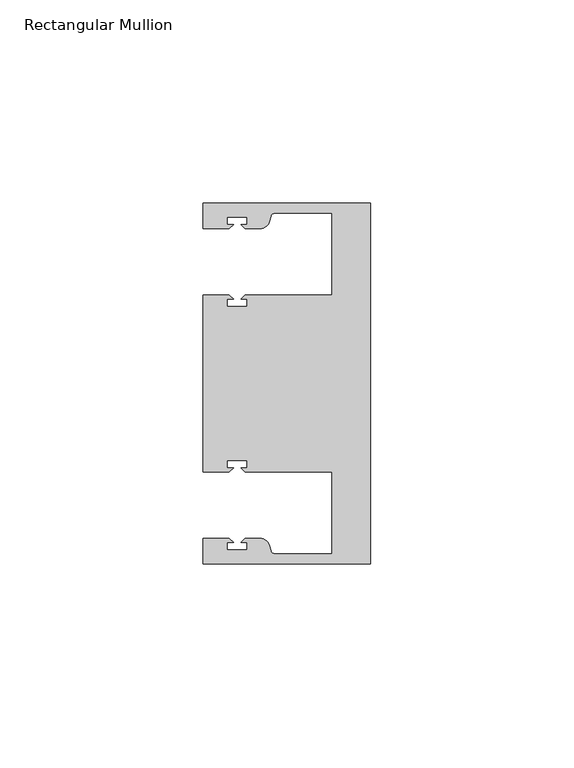
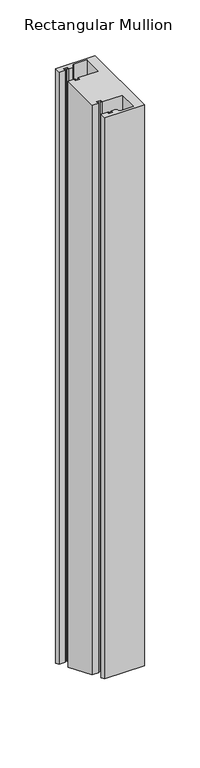
"""IFC4 building model written with IfcOpenShell, lengths in millimetres: member geometry, Rectangular Mullion."""

from ifc_helpers import new_model, si_unit, frame, origin, place, context, project, spatial, polyline, circle_curve, ellipse_curve, source, transform, mapped, element, save
from ifc_brep_helpers import plane_surface, cylinder_surface, revolved_surface, advanced_brep


def rectangular_mullion_80a26137(model_context):
    return source(origin(), model_context, "Body", "AdvancedBrep", [
        advanced_brep(
        [(0.0, 44.45, 0.0), (-41.2749977, 44.45, 0.0), (-41.2749977, 38.1499897, 0.0), (-34.8007531, 38.1499897, 0.0), (-33.8007405, 39.1500023, 0.0), (-35.3749778, 39.1500023, 0.0), (-35.3749778, 40.9498819, 0.0), (-30.3749831, 40.9498819, 0.0), (-30.3749831, 39.1500023, 0.0), (-31.949256, 39.1500023, 0.0), (-30.9492503, 38.1499966, 0.0), (-27.2637853, 38.1499966, 0.0), (-24.8489707, 40.002949, 0.0), (-24.5258588, 41.2088192, 0.0), (-23.5599329, 41.9500001, 0.0), (-9.525, 41.95, 0.0), (-9.525, 21.7499959, 0.0), (-30.9492434, 21.7499959, 0.0), (-31.949256, 20.7499834, 0.0), (-30.3750186, 20.7499834, 0.0), (-30.3750186, 18.949936, 0.0), (-35.3750134, 18.949936, 0.0), (-35.3750134, 20.7499834, 0.0), (-33.8007405, 20.7499834, 0.0), (-34.8007562, 21.749999, 0.0), (-41.275, 21.749999, 0.0), (-41.275, -21.749999, 0.0), (-34.8007562, -21.749999, 0.0), (-33.8007405, -20.7499834, 0.0), (-35.3750134, -20.7499834, 0.0), (-35.3750134, -18.949936, 0.0), (-30.3750186, -18.949936, 0.0), (-30.3750186, -20.7499834, 0.0), (-31.949256, -20.7499834, 0.0), (-30.9492434, -21.7499959, 0.0), (-9.525, -21.7499959, 0.0), (-9.525, -41.95, 0.0), (-23.5599329, -41.95, 0.0), (-24.5258588, -41.2088192, 0.0), (-24.8489707, -40.002949, 0.0), (-27.2637853, -38.1499966, 0.0), (-30.9492503, -38.1499966, 0.0), (-31.949256, -39.1500023, 0.0), (-30.3749831, -39.1500023, 0.0), (-30.3749831, -40.9498819, 0.0), (-35.3749778, -40.9498819, 0.0), (-35.3749778, -39.1500023, 0.0), (-33.8007405, -39.1500023, 0.0), (-34.8007531, -38.1499897, 0.0), (-41.275, -38.1499897, 0.0), (-41.275, -44.45, 0.0), (0.0, -44.45, 0.0), (0.0, 44.45, -653.4117928), (-41.2749977, 44.45, -653.4117928), (-41.2749977, 38.1499897, -650.8022431), (-34.8007531, 38.1499897, -650.8022431), (-33.8007405, 39.1500023, -651.2164619), (-35.3749778, 39.1500023, -651.2164619), (-35.3749778, 40.9498819, -651.9619965), (-30.3749831, 40.9498819, -651.9619965), (-30.3749831, 39.1500023, -651.2164619), (-31.949256, 39.1500023, -651.2164619), (-30.9492503, 38.1499966, -650.802246), (-27.2637853, 38.1499966, -650.802246), (-24.8489707, 40.002949, -651.569764), (-24.5258588, 41.2088192, -652.0692518), (-23.5599329, 41.9500001, -652.376259), (-9.525, 41.95, -652.3762589), (-9.525, 21.7499959, -644.0091433), (-30.9492434, 21.7499959, -644.0091433), (-31.949256, 20.7499834, -643.5949245), (-30.3750186, 20.7499834, -643.5949245), (-30.3750186, 18.949936, -642.8493205), (-35.3750134, 18.949936, -642.8493205), (-35.3750134, 20.7499834, -643.5949245), (-33.8007405, 20.7499834, -643.5949245), (-34.8007562, 21.749999, -644.0091446), (-41.275, 21.749999, -644.0091446), (-41.275, -21.749999, -625.9908554), (-34.8007562, -21.749999, -625.9908554), (-33.8007405, -20.7499834, -626.4050755), (-35.3750134, -20.7499834, -626.4050755), (-35.3750134, -18.949936, -627.1506795), (-30.3750186, -18.949936, -627.1506795), (-30.3750186, -20.7499834, -626.4050755), (-31.949256, -20.7499834, -626.4050755), (-30.9492434, -21.7499959, -625.9908567), (-9.525, -21.7499959, -625.9908567), (-9.525, -41.95, -617.6237411), (-23.5599329, -41.95, -617.623741), (-24.5258588, -41.2088192, -617.9307482), (-24.8489707, -40.002949, -618.430236), (-27.2637853, -38.1499966, -619.197754), (-30.9492503, -38.1499966, -619.197754), (-31.949256, -39.1500023, -618.7835381), (-30.3749831, -39.1500023, -618.7835381), (-30.3749831, -40.9498819, -618.0380035), (-35.3749778, -40.9498819, -618.0380035), (-35.3749778, -39.1500023, -618.7835381), (-33.8007405, -39.1500023, -618.7835381), (-34.8007531, -38.1499897, -619.1977569), (-41.275, -38.1499897, -619.1977569), (-41.275, -44.45, -616.5882072), (0.0, -44.45, -616.5882072)],
        [
            (0, 1),
            (1, 2),
            (2, 3),
            (3, 4),
            (4, 5),
            (5, 6),
            (6, 7),
            (7, 8),
            (8, 9),
            (9, 10),
            (10, 11),
            (11, 12, circle_curve(frame((-27.2637853, 40.6499966, 0.0), z_axis=(0.0, 0.0, 1.0), x_axis=(0.0, -1.0, 0.0)), 2.5)),
            (12, 13),
            (13, 14, circle_curve(frame((-23.5599329, 40.9500001, 0.0), z_axis=(0.0, 0.0, -1.0), x_axis=(0.0, -1.0, 0.0)), 1.0)),
            (14, 15),
            (15, 16),
            (16, 17),
            (17, 18),
            (18, 19),
            (19, 20),
            (20, 21),
            (21, 22),
            (22, 23),
            (23, 24),
            (24, 25),
            (25, 26),
            (26, 27),
            (27, 28),
            (28, 29),
            (29, 30),
            (30, 31),
            (31, 32),
            (32, 33),
            (33, 34),
            (34, 35),
            (35, 36),
            (36, 37),
            (37, 38, circle_curve(frame((-23.5599329, -40.9500001, 0.0), z_axis=(0.0, 0.0, -1.0), x_axis=(0.0, 1.0, 0.0)), 1.0)),
            (38, 39),
            (39, 40, circle_curve(frame((-27.2637853, -40.6499966, 0.0), z_axis=(0.0, 0.0, 1.0), x_axis=(0.0, 1.0, 0.0)), 2.5)),
            (40, 41),
            (41, 42),
            (42, 43),
            (43, 44),
            (44, 45),
            (45, 46),
            (46, 47),
            (47, 48),
            (48, 49),
            (49, 50),
            (50, 51),
            (51, 0),
            (0, 52),
            (52, 53),
            (53, 1),
            (53, 54),
            (54, 2),
            (54, 55),
            (55, 3),
            (55, 56),
            (56, 4),
            (56, 57),
            (57, 5),
            (57, 58),
            (58, 6),
            (58, 59),
            (59, 7),
            (59, 60),
            (60, 8),
            (60, 61),
            (61, 9),
            (61, 62),
            (62, 10),
            (62, 63),
            (63, 11),
            (63, 64, ellipse_curve(frame((-27.2637853, 40.6499966, -651.8377799), z_axis=(0.0, 0.38268343236509095, 0.9238795325112864), x_axis=(0.0, -0.9238795325112866, 0.3826834323650903)), 2.7059805, 2.5)),
            (64, 12),
            (64, 65),
            (65, 13),
            (65, 66, ellipse_curve(frame((-23.5599329, 40.9500001, -651.9620454), z_axis=(0.0, -0.38268343236509095, -0.9238795325112864), x_axis=(0.0, 0.9238795325112866, -0.3826834323650903)), 1.0823922, 1.0)),
            (66, 14),
            (66, 67),
            (67, 15),
            (67, 68),
            (68, 16),
            (68, 69),
            (69, 17),
            (69, 70),
            (70, 18),
            (70, 71),
            (71, 19),
            (71, 72),
            (72, 20),
            (72, 73),
            (73, 21),
            (73, 74),
            (74, 22),
            (74, 75),
            (75, 23),
            (75, 76),
            (76, 24),
            (76, 77),
            (77, 25),
            (77, 78),
            (78, 26),
            (78, 79),
            (79, 27),
            (79, 80),
            (80, 28),
            (80, 81),
            (81, 29),
            (81, 82),
            (82, 30),
            (82, 83),
            (83, 31),
            (83, 84),
            (84, 32),
            (84, 85),
            (85, 33),
            (85, 86),
            (86, 34),
            (86, 87),
            (87, 35),
            (87, 88),
            (88, 36),
            (88, 89),
            (89, 37),
            (89, 90, ellipse_curve(frame((-23.5599329, -40.9500001, -618.0379546), z_axis=(0.0, -0.38268343236509095, -0.9238795325112864), x_axis=(0.0, 0.9238795325112866, -0.3826834323650903)), 1.0823922, 1.0)),
            (90, 38),
            (90, 91),
            (91, 39),
            (91, 92, ellipse_curve(frame((-27.2637853, -40.6499966, -618.1622201), z_axis=(0.0, 0.38268343236509095, 0.9238795325112864), x_axis=(0.0, -0.9238795325112866, 0.3826834323650903)), 2.7059805, 2.5)),
            (92, 40),
            (92, 93),
            (93, 41),
            (93, 94),
            (94, 42),
            (94, 95),
            (95, 43),
            (95, 96),
            (96, 44),
            (96, 97),
            (97, 45),
            (97, 98),
            (98, 46),
            (98, 99),
            (99, 47),
            (99, 100),
            (100, 48),
            (100, 101),
            (101, 49),
            (101, 102),
            (102, 50),
            (102, 103),
            (103, 51),
            (103, 52),
        ],
        [
            plane_surface(frame((0.0, -60.6582898, 0.0), z_axis=(0.0, 0.0, 1.0), x_axis=(-1.0, 0.0, 0.0))),
            plane_surface(frame((0.0, 44.45, 0.0), z_axis=(0.0, 1.0, 0.0), x_axis=(0.0, 0.0, -1.0))),
            plane_surface(frame((-41.2749977, 44.45, 0.0), z_axis=(-1.0, 0.0, 0.0), x_axis=(0.0, 0.0, -1.0))),
            plane_surface(frame((-41.2749977, 38.1499897, 0.0), z_axis=(0.0, -1.0, 0.0), x_axis=(0.0, 0.0, -1.0))),
            plane_surface(frame((-34.8007531, 38.1499897, 0.0), z_axis=(0.7071067811865492, -0.7071067811865459, 0.0), x_axis=(0.0, 0.0, -1.0))),
            plane_surface(frame((-33.8007405, 39.1500023, 0.0), z_axis=(0.0, 1.0, 0.0), x_axis=(0.0, 0.0, -1.0))),
            plane_surface(frame((-35.3749778, 39.1500023, 0.0), z_axis=(1.0, 0.0, 0.0), x_axis=(0.0, 0.0, -1.0))),
            plane_surface(frame((-35.3749778, 40.9498819, 0.0), z_axis=(0.0, -1.0, 0.0), x_axis=(0.0, 0.0, -1.0))),
            plane_surface(frame((-30.3749831, 40.9498819, 0.0), z_axis=(-1.0, 0.0, 0.0), x_axis=(0.0, 0.0, -1.0))),
            plane_surface(frame((-30.3749831, 39.1500023, 0.0), z_axis=(0.0, 1.0, 0.0), x_axis=(0.0, 0.0, -1.0))),
            plane_surface(frame((-31.949256, 39.1500023, 0.0), z_axis=(-0.7071067811865469, -0.7071067811865481, 0.0), x_axis=(0.0, 0.0, -1.0))),
            plane_surface(frame((-30.9492503, 38.1499966, 0.0), z_axis=(0.0, -1.0, 0.0), x_axis=(0.0, 0.0, -1.0))),
            cylinder_surface(frame((-27.2637853, 40.6499966, 0.0), z_axis=(0.0, 0.0, 1.0), x_axis=(0.0, -1.0, 0.0)), 2.5),
            plane_surface(frame((-24.8489707, 40.002949, 0.0), z_axis=(0.965925826289163, -0.2588190451021675, 0.0), x_axis=(0.0, 0.0, -1.0))),
            revolved_surface(polyline([(-23.5599329, 39.9500001, -652.376259), (-23.5599329, 39.9500001, 0.0)]), (-23.5599329, 40.9500001, 0.0), (0.0, 0.0, -1.0)),
            plane_surface(frame((-23.5599329, 41.95, 0.0), z_axis=(0.0, -1.0, 0.0), x_axis=(0.0, 0.0, -1.0))),
            plane_surface(frame((-9.525, 41.95, 0.0), z_axis=(-1.0, 0.0, 0.0), x_axis=(0.0, 0.0, -1.0))),
            plane_surface(frame((-9.525, 21.7499959, 0.0), z_axis=(0.0, 1.0, 0.0), x_axis=(0.0, 0.0, -1.0))),
            plane_surface(frame((-30.9492434, 21.7499959, 0.0), z_axis=(-0.7071067811865492, 0.7071067811865459, 0.0), x_axis=(0.0, 0.0, -1.0))),
            plane_surface(frame((-31.949256, 20.7499834, 0.0), z_axis=(0.0, -1.0, 0.0), x_axis=(0.0, 0.0, -1.0))),
            plane_surface(frame((-30.3750186, 20.7499834, 0.0), z_axis=(-1.0, 0.0, 0.0), x_axis=(0.0, 0.0, -1.0))),
            plane_surface(frame((-30.3750186, 18.949936, 0.0), z_axis=(0.0, 1.0, 0.0), x_axis=(0.0, 0.0, -1.0))),
            plane_surface(frame((-35.3750134, 18.949936, 0.0), z_axis=(1.0, 0.0, 0.0), x_axis=(0.0, 0.0, -1.0))),
            plane_surface(frame((-35.3750134, 20.7499834, 0.0), z_axis=(0.0, -1.0, 0.0), x_axis=(0.0, 0.0, -1.0))),
            plane_surface(frame((-33.8007405, 20.7499834, 0.0), z_axis=(0.7071067811865472, 0.7071067811865479, 0.0), x_axis=(0.0, 0.0, -1.0))),
            plane_surface(frame((-34.8007562, 21.749999, 0.0), z_axis=(0.0, 1.0, 0.0), x_axis=(0.0, 0.0, -1.0))),
            plane_surface(frame((-41.275, 21.749999, 0.0), z_axis=(-1.0, 0.0, 0.0), x_axis=(0.0, 0.0, -1.0))),
            plane_surface(frame((-41.275, -21.749999, 0.0), z_axis=(0.0, -1.0, 0.0), x_axis=(0.0, 0.0, -1.0))),
            plane_surface(frame((-34.8007562, -21.749999, 0.0), z_axis=(0.7071067811865427, -0.7071067811865525, 0.0), x_axis=(0.0, 0.0, -1.0))),
            plane_surface(frame((-33.8007405, -20.7499834, 0.0), z_axis=(0.0, 1.0, 0.0), x_axis=(0.0, 0.0, -1.0))),
            plane_surface(frame((-35.3750134, -20.7499834, 0.0), z_axis=(1.0, 0.0, 0.0), x_axis=(0.0, 0.0, -1.0))),
            plane_surface(frame((-35.3750134, -18.949936, 0.0), z_axis=(0.0, -1.0, 0.0), x_axis=(0.0, 0.0, -1.0))),
            plane_surface(frame((-30.3750186, -18.949936, 0.0), z_axis=(-1.0, 0.0, 0.0), x_axis=(0.0, 0.0, -1.0))),
            plane_surface(frame((-30.3750186, -20.7499834, 0.0), z_axis=(0.0, 1.0, 0.0), x_axis=(0.0, 0.0, -1.0))),
            plane_surface(frame((-31.949256, -20.7499834, 0.0), z_axis=(-0.7071067811865538, -0.7071067811865414, 0.0), x_axis=(0.0, 0.0, -1.0))),
            plane_surface(frame((-30.9492434, -21.7499959, 0.0), z_axis=(0.0, -1.0, 0.0), x_axis=(0.0, 0.0, -1.0))),
            plane_surface(frame((-9.525, -21.7499959, 0.0), z_axis=(-1.0, 0.0, 0.0), x_axis=(0.0, 0.0, -1.0))),
            plane_surface(frame((-9.525, -41.95, 0.0), z_axis=(0.0, 1.0, 0.0), x_axis=(0.0, 0.0, -1.0))),
            revolved_surface(polyline([(-23.5599329, -39.9500001, -618.4521681622613), (-23.5599329, -39.9500001, 0.0)]), (-23.5599329, -40.9500001, 0.0), (0.0, 0.0, -1.0)),
            plane_surface(frame((-24.5258588, -41.2088192, 0.0), z_axis=(0.9659258262891647, 0.25881904510216125, 0.0), x_axis=(0.0, 0.0, -1.0))),
            cylinder_surface(frame((-27.2637853, -40.6499966, 0.0), z_axis=(0.0, 0.0, 1.0), x_axis=(0.0, 1.0, 0.0)), 2.5),
            plane_surface(frame((-27.2637853, -38.1499966, 0.0), z_axis=(0.0, 1.0, 0.0), x_axis=(0.0, 0.0, -1.0))),
            plane_surface(frame((-30.9492503, -38.1499966, 0.0), z_axis=(-0.7071067811865424, 0.7071067811865527, 0.0), x_axis=(0.0, 0.0, -1.0))),
            plane_surface(frame((-31.949256, -39.1500023, 0.0), z_axis=(0.0, -1.0, 0.0), x_axis=(0.0, 0.0, -1.0))),
            plane_surface(frame((-30.3749831, -39.1500023, 0.0), z_axis=(-1.0, 0.0, 0.0), x_axis=(0.0, 0.0, -1.0))),
            plane_surface(frame((-30.3749831, -40.9498819, 0.0), z_axis=(0.0, 1.0, 0.0), x_axis=(0.0, 0.0, -1.0))),
            plane_surface(frame((-35.3749778, -40.9498819, 0.0), z_axis=(1.0, 0.0, 0.0), x_axis=(0.0, 0.0, -1.0))),
            plane_surface(frame((-35.3749778, -39.1500023, 0.0), z_axis=(0.0, -1.0, 0.0), x_axis=(0.0, 0.0, -1.0))),
            plane_surface(frame((-33.8007405, -39.1500023, 0.0), z_axis=(0.7071067811865538, 0.7071067811865414, 0.0), x_axis=(0.0, 0.0, -1.0))),
            plane_surface(frame((-34.8007531, -38.1499897, 0.0), z_axis=(0.0, 1.0, 0.0), x_axis=(0.0, 0.0, -1.0))),
            plane_surface(frame((-41.275, -38.1499897, 0.0), z_axis=(-1.0, 0.0, 0.0), x_axis=(0.0, 0.0, -1.0))),
            plane_surface(frame((-41.275, -44.45, 0.0), z_axis=(0.0, -1.0, 0.0), x_axis=(0.0, 0.0, -1.0))),
            plane_surface(frame((0.0, -44.45, 0.0), z_axis=(1.0, 0.0, 0.0), x_axis=(0.0, 0.0, -1.0))),
            plane_surface(frame((304.8, 0.0, -635.0), z_axis=(0.0, -0.38268343236509095, -0.9238795325112864), x_axis=(0.0, -0.9238795325112864, 0.38268343236509095))),
        ],
        [
            (0, [[1, 2, 3, 4, 5, 6, 7, 8, 9, 10, 11, 12, 13, 14, 15, 16, 17, 18, 19, 20, 21, 22, 23, 24, 25, 26, 27, 28, 29, 30, 31, 32, 33, 34, 35, 36, 37, 38, 39, 40, 41, 42, 43, 44, 45, 46, 47, 48, 49, 50, 51, 52]]),
            (1, [[-1, 53, 54, 55]]),
            (2, [[-2, -55, 56, 57]]),
            (3, [[-3, -57, 58, 59]]),
            (4, [[-4, -59, 60, 61]]),
            (5, [[-5, -61, 62, 63]]),
            (6, [[-6, -63, 64, 65]]),
            (7, [[-7, -65, 66, 67]]),
            (8, [[-8, -67, 68, 69]]),
            (9, [[-9, -69, 70, 71]]),
            (10, [[-10, -71, 72, 73]]),
            (11, [[-11, -73, 74, 75]]),
            (12, [[-12, -75, 76, 77]]),
            (13, [[-13, -77, 78, 79]]),
            (14, [[-14, -79, 80, 81]]),
            (15, [[-15, -81, 82, 83]]),
            (16, [[-16, -83, 84, 85]]),
            (17, [[-17, -85, 86, 87]]),
            (18, [[-18, -87, 88, 89]]),
            (19, [[-19, -89, 90, 91]]),
            (20, [[-20, -91, 92, 93]]),
            (21, [[-21, -93, 94, 95]]),
            (22, [[-22, -95, 96, 97]]),
            (23, [[-23, -97, 98, 99]]),
            (24, [[-24, -99, 100, 101]]),
            (25, [[-25, -101, 102, 103]]),
            (26, [[-26, -103, 104, 105]]),
            (27, [[-27, -105, 106, 107]]),
            (28, [[-28, -107, 108, 109]]),
            (29, [[-29, -109, 110, 111]]),
            (30, [[-30, -111, 112, 113]]),
            (31, [[-31, -113, 114, 115]]),
            (32, [[-32, -115, 116, 117]]),
            (33, [[-33, -117, 118, 119]]),
            (34, [[-34, -119, 120, 121]]),
            (35, [[-35, -121, 122, 123]]),
            (36, [[-36, -123, 124, 125]]),
            (37, [[-37, -125, 126, 127]]),
            (38, [[-38, -127, 128, 129]]),
            (39, [[-39, -129, 130, 131]]),
            (40, [[-40, -131, 132, 133]]),
            (41, [[-41, -133, 134, 135]]),
            (42, [[-42, -135, 136, 137]]),
            (43, [[-43, -137, 138, 139]]),
            (44, [[-44, -139, 140, 141]]),
            (45, [[-45, -141, 142, 143]]),
            (46, [[-46, -143, 144, 145]]),
            (47, [[-47, -145, 146, 147]]),
            (48, [[-48, -147, 148, 149]]),
            (49, [[-49, -149, 150, 151]]),
            (50, [[-50, -151, 152, 153]]),
            (51, [[-51, -153, 154, 155]]),
            (52, [[-52, -155, 156, -53]]),
            (53, [[-156, -154, -152, -150, -148, -146, -144, -142, -140, -138, -136, -134, -132, -130, -128, -126, -124, -122, -120, -118, -116, -114, -112, -110, -108, -106, -104, -102, -100, -98, -96, -94, -92, -90, -88, -86, -84, -82, -80, -78, -76, -74, -72, -70, -68, -66, -64, -62, -60, -58, -56, -54]]),
        ],
    ),
    ])


if __name__ == "__main__":
    model = new_model("IFC4")
    model_context = context("Model", 3, world=origin())
    ifc_project = project(units=[si_unit("LENGTHUNIT", "METRE", prefix="MILLI")], contexts=[model_context])
    site = spatial("IfcSite", under=ifc_project)
    building = spatial("IfcBuilding", under=site)
    placement = place(None, origin())
    rectangular_mullion_shape = rectangular_mullion_80a26137(model_context)
    element("IfcMember", 1, ObjectType="Rectangular Mullion", at=placement, inside=building, context=model_context, shape_type="MappedRepresentation", body=[
        mapped(rectangular_mullion_shape, transform((0.0, 0.0, 0.0), x_axis=(1.0, 0.0, 0.0), y_axis=(0.0, 1.0, 0.0), z_axis=(0.0, 0.0, 1.0))),
    ])
    save(model, "model.ifc")
